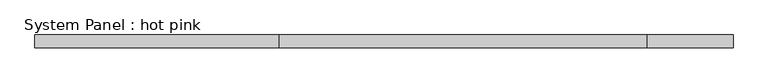
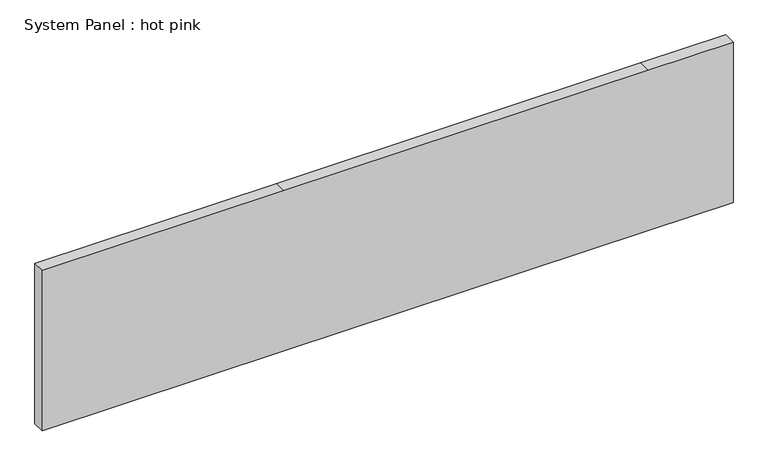
"""IFC4 building model written with IfcOpenShell, lengths in millimetres: plate geometry, System Panel : hot pink."""

from ifc_helpers import new_model, si_unit, frame, origin, place, context, project, spatial, polyline, outline, extrude, source, transform, mapped, element, save


def system_panel_hot_pink_84f551cd(model_context):
    return source(origin(), model_context, "Body", "SweptSolid", [
        extrude(outline(polyline([(0.0, -1733.3575378), (0.0, -520.8924622), (0.0, 1307.9075378), (0.0, 1733.3575378), (850.9, 1733.3575378), (850.9, 1307.9075378), (850.9, -520.8924622), (850.9, -1733.3575378), (0.0, -1733.3575378)])), frame((0.0, -19.05, 0.0), z_axis=(0.0, 1.0, 0.0), x_axis=(0.0, 0.0, 1.0)), (0.0, 0.0, 1.0), 63.5),
    ])


if __name__ == "__main__":
    model = new_model("IFC4")
    model_context = context("Model", 3, world=origin())
    ifc_project = project(units=[si_unit("LENGTHUNIT", "METRE", prefix="MILLI")], contexts=[model_context])
    site = spatial("IfcSite", under=ifc_project)
    building = spatial("IfcBuilding", under=site)
    placement = place(None, origin())
    system_panel_hot_pink_shape = system_panel_hot_pink_84f551cd(model_context)
    element("IfcPlate", 1, ObjectType="System Panel : hot pink", at=placement, inside=building, context=model_context, shape_type="MappedRepresentation", body=[
        mapped(system_panel_hot_pink_shape, transform((0.0, 0.0, 0.0), x_axis=(1.0, 0.0, 0.0), y_axis=(0.0, 1.0, 0.0), z_axis=(0.0, 0.0, 1.0))),
    ])
    save(model, "model.ifc")
